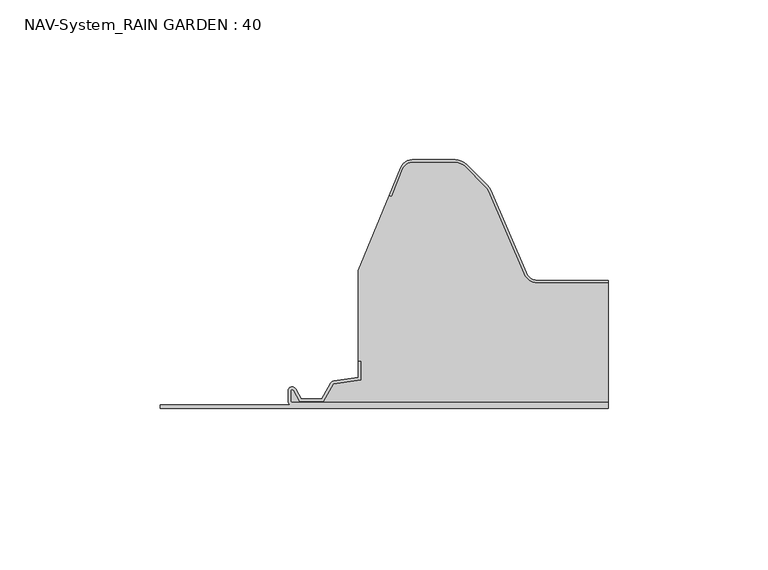
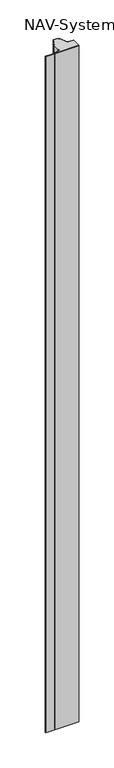
"""IFC4 building model written with IfcOpenShell, lengths in millimetres: plate geometry, NAV-System_RAIN GARDEN : 40."""

from ifc_helpers import new_model, si_unit, point, frame, frame_2d, origin, origin_with_axes, place, context, project, spatial, polyline, circle_curve, trimmed, segment, composite_curve, outline, extrude, source, transform, mapped, element, save


def nav_system_rain_garden_40_d423a7bc(model_context):
    return source(origin(), model_context, "Body", "SweptSolid", [
        extrude(outline(composite_curve([segment(polyline([(0.0, -90.0), (0.0, 50.0), (1.8, 50.0), (1.8, -48.7)]), True, "CONTINUOUS"), segment(trimmed(circle_curve(frame_2d((2.3, -48.7)), 0.5), [point((1.8, -48.7))], [point((2.3, -49.2))], True, "CARTESIAN"), True, "CONTINUOUS"), segment(polyline([(2.3, -49.2), (5.3700191, -49.2)]), True, "CONTINUOUS"), segment(trimmed(circle_curve(frame_2d((5.3700191, -48.7)), 0.5), [point((5.3700191, -49.2))], [point((5.6200191, -48.2669873))], True, "CARTESIAN"), True, "CONTINUOUS"), segment(polyline([(5.6200191, -48.2669873), (2.2, -46.2924383), (2.2, -38.9841833), (7.6866602, -35.8164586), (8.898332, -27.2), (14.6767555, -27.2), (14.6767555, -28.0), (9.5937048, -28.0), (8.5128213, -35.6863953)]), True, "CONTINUOUS"), segment(trimmed(circle_curve(frame_2d((7.2254873, -35.5053666)), 1.3), [point((8.5128213, -35.6863953))], [point((7.8754873, -36.6311996))], False, "CARTESIAN"), True, "CONTINUOUS"), segment(polyline([(7.8754873, -36.6311996), (3.0, -39.4460636), (3.0, -45.8305581), (6.0200191, -47.574167)]), True, "CONTINUOUS"), segment(trimmed(circle_curve(frame_2d((5.3700191, -48.7)), 1.3), [point((6.0200191, -47.574167))], [point((5.3700191, -50.0))], False, "CARTESIAN"), True, "CONTINUOUS"), segment(polyline([(5.3700191, -50.0), (2.3, -50.0)]), True, "CONTINUOUS"), segment(trimmed(circle_curve(frame_2d((2.3, -48.7)), 1.3), [point((2.3, -50.0))], [point((1.0, -48.7))], False, "CARTESIAN"), True, "CONTINUOUS"), segment(polyline([(1.0, -48.7), (1.0, -90.0), (0.0, -90.0)]), True, "CONTINUOUS")], self_intersect=False)), frame((0.0, 0.0, 3000.0), z_axis=(0.0, 0.0, -1.0), x_axis=(0.0, 1.0, 0.0)), (0.0, 0.0, 1.0), 3000.0),
        extrude(outline(composite_curve([segment(polyline([(28.0709249, 39.2), (50.0, 39.2), (50.0, 1.8), (-48.7, 1.8)]), True, "CONTINUOUS"), segment(trimmed(circle_curve(frame_2d((-48.7, 2.3)), 0.5), [point((-48.7, 1.8))], [point((-49.2, 2.3))], False, "CARTESIAN"), True, "CONTINUOUS"), segment(polyline([(-49.2, 2.3), (-49.2, 5.3700191)]), True, "CONTINUOUS"), segment(trimmed(circle_curve(frame_2d((-48.7, 5.3700191)), 0.5), [point((-49.2, 5.3700191))], [point((-48.2669873, 5.6200191))], False, "CARTESIAN"), True, "CONTINUOUS"), segment(polyline([(-48.2669873, 5.6200191), (-46.2924383, 2.2), (-38.9841833, 2.2), (-35.8164586, 7.6866602), (-27.2, 8.898332), (-27.2, 14.6767555), (-28.0, 14.6767555), (-28.0, 43.053822), (-18.3696578, 66.593514), (-17.6292254, 66.2905951), (-14.1022482, 74.9116756)]), True, "CONTINUOUS"), segment(trimmed(circle_curve(frame_2d((-11.1405186, 73.7)), 3.2), [point((-14.1022482, 74.9116756))], [point((-11.1405186, 76.9))], False, "CARTESIAN"), True, "CONTINUOUS"), segment(polyline([(-11.1405186, 76.9), (2.2655335, 76.9)]), True, "CONTINUOUS"), segment(trimmed(circle_curve(frame_2d((2.2655335, 72.7)), 4.2), [point((2.2655335, 76.9))], [point((5.235382, 75.6698485))], False, "CARTESIAN"), True, "CONTINUOUS"), segment(polyline([(5.235382, 75.6698485), (11.6863603, 69.2188701)]), True, "CONTINUOUS"), segment(trimmed(circle_curve(frame_2d((8.7165118, 66.2490217)), 4.2), [point((11.6863603, 69.2188701))], [point((12.5754349, 67.9069459))], False, "CARTESIAN"), True, "CONTINUOUS"), segment(polyline([(12.5754349, 67.9069459), (23.6607271, 42.1052295)]), True, "CONTINUOUS"), segment(trimmed(circle_curve(frame_2d((28.0709249, 44.0)), 4.8), [point((23.6607271, 42.1052295))], [point((28.0709249, 39.2))], True, "CARTESIAN"), True, "CONTINUOUS")], self_intersect=False)), origin_with_axes(), (0.0, 0.0, 1.0), 3000.0),
        extrude(outline(composite_curve([segment(trimmed(circle_curve(frame_2d((-11.1408608, 73.7)), 4.0), [point((-14.8430228, 75.2145945))], [point((-11.1408608, 77.7))], False, "CARTESIAN"), True, "CONTINUOUS"), segment(polyline([(-11.1408608, 77.7), (2.2651913, 77.7)]), True, "CONTINUOUS"), segment(trimmed(circle_curve(frame_2d((2.2651913, 72.7)), 5.0), [point((2.2651913, 77.7))], [point((5.8007252, 76.2355339))], False, "CARTESIAN"), True, "CONTINUOUS"), segment(polyline([(5.8007252, 76.2355339), (12.2517035, 69.7845556)]), True, "CONTINUOUS"), segment(trimmed(circle_curve(frame_2d((8.7161696, 66.2490217)), 5.0), [point((12.2517035, 69.7845556))], [point((13.3101256, 68.2227409))], False, "CARTESIAN"), True, "CONTINUOUS"), segment(polyline([(13.3101256, 68.2227409), (24.3954178, 42.4210246)]), True, "CONTINUOUS"), segment(trimmed(circle_curve(frame_2d((28.0705827, 44.0)), 4.0), [point((24.3954178, 42.4210246))], [point((28.0705827, 40.0))], True, "CARTESIAN"), True, "CONTINUOUS"), segment(polyline([(28.0705827, 40.0), (50.0, 40.0), (50.0, 39.2), (28.0705827, 39.2)]), True, "CONTINUOUS"), segment(trimmed(circle_curve(frame_2d((28.0705827, 44.0)), 4.8), [point((28.0705827, 39.2))], [point((23.6603849, 42.1052295))], False, "CARTESIAN"), True, "CONTINUOUS"), segment(polyline([(23.6603849, 42.1052295), (12.5750927, 67.9069459)]), True, "CONTINUOUS"), segment(trimmed(circle_curve(frame_2d((8.7161696, 66.2490217)), 4.2), [point((12.5750927, 67.9069459))], [point((11.6860181, 69.2188701))], True, "CARTESIAN"), True, "CONTINUOUS"), segment(polyline([(11.6860181, 69.2188701), (5.2350397, 75.6698485)]), True, "CONTINUOUS"), segment(trimmed(circle_curve(frame_2d((2.2651913, 72.7)), 4.2), [point((5.2350397, 75.6698485))], [point((2.2651913, 76.9))], True, "CARTESIAN"), True, "CONTINUOUS"), segment(polyline([(2.2651913, 76.9), (-11.1408608, 76.9)]), True, "CONTINUOUS"), segment(trimmed(circle_curve(frame_2d((-11.1408608, 73.7)), 3.2), [point((-11.1408608, 76.9))], [point((-14.1025904, 74.9116756))], True, "CARTESIAN"), True, "CONTINUOUS"), segment(polyline([(-14.1025904, 74.9116756), (-17.6295676, 66.2905951), (-18.37, 66.593514), (-14.8430228, 75.2145945)]), True, "CONTINUOUS")], self_intersect=False)), origin_with_axes(), (0.0, 0.0, 1.0), 3000.0),
    ])


if __name__ == "__main__":
    model = new_model("IFC4")
    model_context = context("Model", 3, world=origin())
    ifc_project = project(units=[si_unit("LENGTHUNIT", "METRE", prefix="MILLI")], contexts=[model_context])
    site = spatial("IfcSite", under=ifc_project)
    building = spatial("IfcBuilding", under=site)
    placement = place(None, origin())
    nav_system_rain_garden_40_shape = nav_system_rain_garden_40_d423a7bc(model_context)
    element("IfcPlate", 1, ObjectType="NAV-System_RAIN GARDEN : 40", at=placement, inside=building, context=model_context, shape_type="MappedRepresentation", body=[
        mapped(nav_system_rain_garden_40_shape, transform((0.0, 0.0, 0.0), x_axis=(1.0, 0.0, 0.0), y_axis=(0.0, 1.0, 0.0), z_axis=(0.0, 0.0, 1.0))),
    ])
    save(model, "model.ifc")
